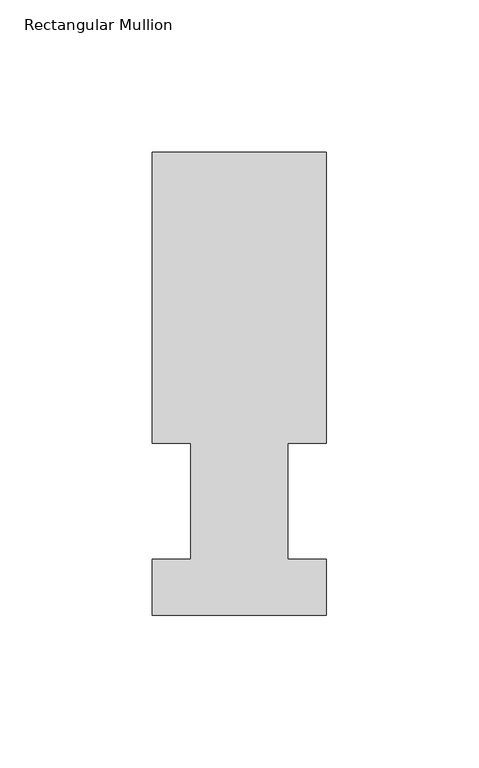
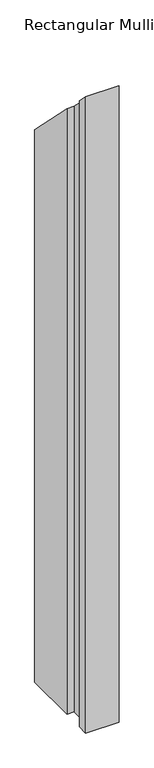
"""IFC4 building model written with IfcOpenShell, lengths in millimetres: member geometry, Rectangular Mullion."""

from ifc_helpers import new_model, si_unit, origin, place, context, project, spatial, faceted_brep, source, transform, mapped, element, save


def rectangular_mullion_c23199f2(model_context):
    return source(origin(), model_context, "Body", "Brep", [
        faceted_brep([(-57.15, 151.98725, -1156.065125), (0.0, 151.98725, -1156.065125), (0.0, 56.35625, -1156.065125), (-12.7, 56.35625, -1156.065125), (-12.7, 18.25625, -1156.065125), (0.0, 18.25625, -1156.065125), (0.0, -0.03175, -1156.065125), (-57.15, -0.03175, -1156.065125), (-57.15, 18.25625, -1156.065125), (-44.45, 18.25625, -1156.065125), (-44.45, 56.35625, -1156.065125), (-57.15, 56.35625, -1156.065125), (-57.15, 56.35625, -56.35625), (-57.15, 151.98725, -151.98725), (-44.45, 56.35625, -56.35625), (-44.45, 18.25625, -18.25625), (-57.15, 18.25625, -18.25625), (-57.15, -0.03175, 0.03175), (0.0, -0.03175, 0.03175), (0.0, 18.25625, -18.25625), (-12.7, 18.25625, -18.25625), (-12.7, 56.35625, -56.35625), (0.0, 56.35625, -56.35625), (0.0, 151.98725, -151.98725)], [[[0, 1, 2, 3, 4, 5, 6, 7, 8, 9, 10, 11]], [[12, 13, 0, 11]], [[14, 12, 11, 10]], [[15, 14, 10, 9]], [[16, 15, 9, 8]], [[17, 16, 8, 7]], [[18, 17, 7, 6]], [[19, 18, 6, 5]], [[20, 19, 5, 4]], [[21, 20, 4, 3]], [[22, 21, 3, 2]], [[23, 22, 2, 1]], [[13, 23, 1, 0]], [[13, 12, 14, 15, 16, 17, 18, 19, 20, 21, 22, 23]]]),
    ])


if __name__ == "__main__":
    model = new_model("IFC4")
    model_context = context("Model", 3, world=origin())
    ifc_project = project(units=[si_unit("LENGTHUNIT", "METRE", prefix="MILLI")], contexts=[model_context])
    site = spatial("IfcSite", under=ifc_project)
    building = spatial("IfcBuilding", under=site)
    placement = place(None, origin())
    rectangular_mullion_shape = rectangular_mullion_c23199f2(model_context)
    element("IfcMember", 1, ObjectType="Rectangular Mullion", at=placement, inside=building, context=model_context, shape_type="MappedRepresentation", body=[
        mapped(rectangular_mullion_shape, transform((0.0, 0.0, 0.0), x_axis=(1.0, 0.0, 0.0), y_axis=(0.0, 1.0, 0.0), z_axis=(0.0, 0.0, 1.0))),
    ])
    save(model, "model.ifc")
